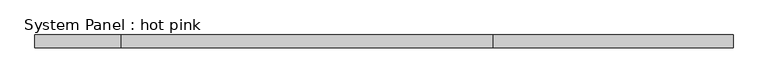
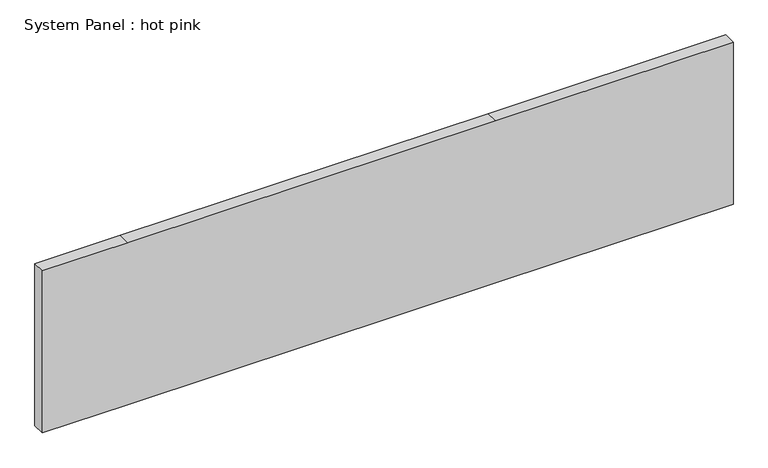
"""IFC4 building model written with IfcOpenShell, lengths in millimetres: plate geometry, System Panel : hot pink."""

from ifc_helpers import new_model, si_unit, frame, origin, place, context, project, spatial, polyline, outline, extrude, source, transform, mapped, element, save


def system_panel_hot_pink_0d06d30c(model_context):
    return source(origin(), model_context, "Body", "SweptSolid", [
        extrude(outline(polyline([(0.0, -1717.4825378), (0.0, -1292.0325378), (0.0, 536.7674622), (0.0, 1717.4825378), (850.9, 1717.4825378), (850.9, 536.7674622), (850.9, -1292.0325378), (850.9, -1717.4825378), (0.0, -1717.4825378)])), frame((0.0, -19.05, 0.0), z_axis=(0.0, 1.0, 0.0), x_axis=(0.0, 0.0, 1.0)), (0.0, 0.0, 1.0), 63.5),
    ])


if __name__ == "__main__":
    model = new_model("IFC4")
    model_context = context("Model", 3, world=origin())
    ifc_project = project(units=[si_unit("LENGTHUNIT", "METRE", prefix="MILLI")], contexts=[model_context])
    site = spatial("IfcSite", under=ifc_project)
    building = spatial("IfcBuilding", under=site)
    placement = place(None, origin())
    system_panel_hot_pink_shape = system_panel_hot_pink_0d06d30c(model_context)
    element("IfcPlate", 1, ObjectType="System Panel : hot pink", at=placement, inside=building, context=model_context, shape_type="MappedRepresentation", body=[
        mapped(system_panel_hot_pink_shape, transform((0.0, 0.0, 0.0), x_axis=(1.0, 0.0, 0.0), y_axis=(0.0, 1.0, 0.0), z_axis=(0.0, 0.0, 1.0))),
    ])
    save(model, "model.ifc")
